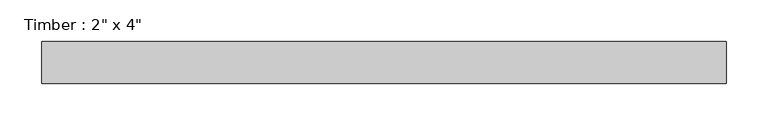
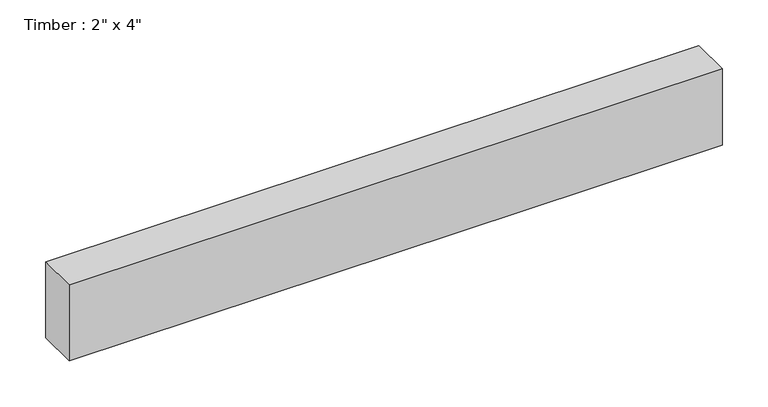
"""IFC4 building model written with IfcOpenShell, lengths in millimetres: beam geometry."""

from ifc_helpers import new_model, si_unit, frame, origin, place, context, project, spatial, polyline, outline, extrude, source, transform, mapped, element, save


def beam_5f60b1ad(model_context):
    return source(origin(), model_context, "Body", "SweptSolid", [
        extrude(outline(polyline([(419.1766016, 25.4), (419.1766016, -25.4), (-404.3420482, -25.4), (-404.3420482, 25.4), (419.1766016, 25.4)])), frame((0.0, 0.0, -50.8), z_axis=(0.0, 0.0, 1.0), x_axis=(1.0, 0.0, 0.0)), (0.0, 0.0, 1.0), 101.6),
    ])


if __name__ == "__main__":
    model = new_model("IFC4")
    model_context = context("Model", 3, world=origin())
    ifc_project = project(units=[si_unit("LENGTHUNIT", "METRE", prefix="MILLI")], contexts=[model_context])
    site = spatial("IfcSite", under=ifc_project)
    building = spatial("IfcBuilding", under=site)
    placement = place(None, origin())
    beam_shape = beam_5f60b1ad(model_context)
    element("IfcBeam", 1, ObjectType="Timber : 2\" x 4\"", at=placement, inside=building, context=model_context, shape_type="MappedRepresentation", body=[
        mapped(beam_shape, transform((0.0, 0.0, 0.0), x_axis=(1.0, 0.0, 0.0), y_axis=(0.0, 1.0, 0.0), z_axis=(0.0, 0.0, 1.0))),
    ])
    save(model, "model.ifc")
